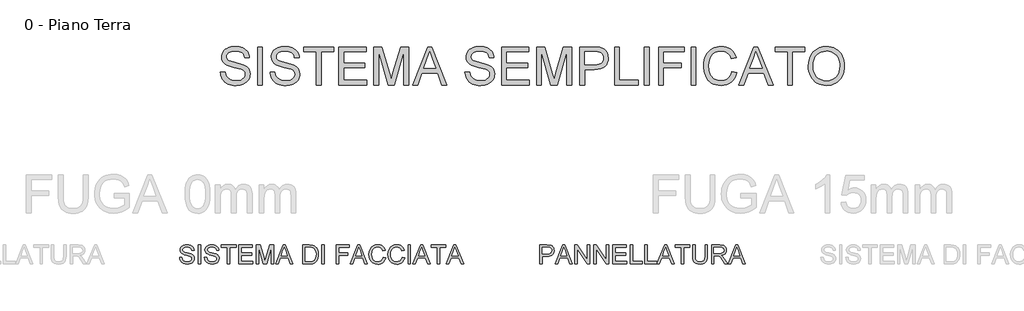
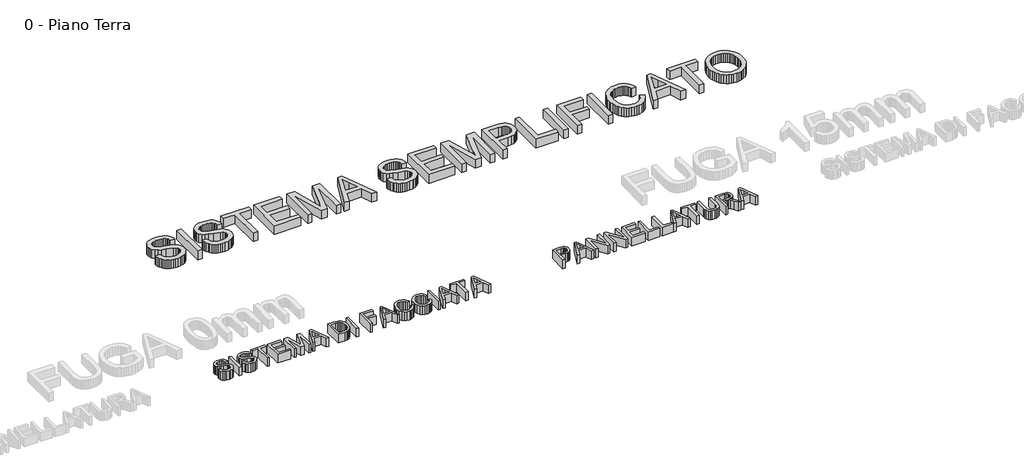
# One storey, part 11 of 17: 3 proxies.
"""IFC4 building model written with IfcOpenShell, lengths in millimetres."""

from ifc_helpers import new_model, si_unit, origin, origin_with_axes, place, context, project, spatial, polyline, outline, extrude, element, save

model = new_model("IFC4")

# Units and contexts
model_context = context("Model", 3, world=origin())
ifc_project = project(units=[si_unit("LENGTHUNIT", "METRE", prefix="MILLI")], contexts=[model_context])

# Site, building, storey
site = spatial("IfcSite", under=ifc_project)
building = spatial("IfcBuilding", under=site)
storey = spatial("IfcBuildingStorey", under=building, Name="0 - Piano Terra", Elevation=0.0)

# Proxies
placement = place(None, origin())
element("IfcBuildingElementProxy", 1, Name="Testo modello 1", ObjectType="Testo modello 1", at=placement, inside=storey, context=model_context, shape_type="SweptSolid", body=[
    extrude(outline(polyline([(-7566.3195296, -6332.1900507), (-7492.4733758, -6332.1900507), (-7483.9998181, -6373.169618), (-7468.6752988, -6406.1083199), (-7444.7690488, -6432.2501468), (-7410.5502988, -6452.8390891), (-7368.7233758, -6466.1984641), (-7321.9926065, -6470.6515891), (-7280.8507796, -6467.2801949), (-7244.829145, -6457.1660122), (-7215.6404431, -6441.1563968), (-7194.9974142, -6420.0987045), (-7182.71977, -6395.9220218), (-7178.6272219, -6370.5554353), (-7181.6921258, -6345.8378872), (-7190.8868373, -6324.4737045), (-7209.5647219, -6306.2465411), (-7241.079145, -6290.9400507), (-7348.6031835, -6262.7429353), (-7419.1861162, -6244.0830795), (-7464.3483758, -6226.3246661), (-7501.1091931, -6201.4809161), (-7527.1608758, -6171.372743), (-7542.6837123, -6136.6491853), (-7547.8579912, -6097.9592815), (-7546.2579311, -6075.9685964), (-7541.4577508, -6054.7080795), (-7533.4574503, -6034.177731), (-7522.2570296, -6014.3775507), (-7507.9826907, -5996.1143295), (-7490.7606354, -5980.1948584), (-7470.5908637, -5966.6191372), (-7447.4733758, -5955.3871661), (-7395.5142412, -5940.2970218), (-7338.0022219, -5935.2669738), (-7275.6945296, -5940.5313968), (-7221.1752988, -5956.3246661), (-7197.3231354, -5968.0884882), (-7176.391645, -5982.3222622), (-7158.3808277, -5999.0259882), (-7143.2906835, -6018.1996661), (-7131.2383998, -6039.2844016), (-7122.3411642, -6061.7213007), (-7116.5989767, -6085.5103632), (-7114.0118373, -6110.6515891), (-7187.8579912, -6110.6515891), (-7192.797895, -6087.0878872), (-7201.4156835, -6066.5890891), (-7213.7113565, -6049.1551949), (-7229.6849142, -6034.7862045), (-7249.6338325, -6023.5542334), (-7273.8555873, -6015.5313968), (-7302.3501787, -6010.7176949), (-7335.1176065, -6009.1131276), (-7368.9307075, -6010.6996661), (-7397.8219335, -6015.4592815), (-7421.7912844, -6023.3919738), (-7440.8387604, -6034.497743), (-7455.3519815, -6047.8481036), (-7465.7185681, -6062.5145699), (-7471.93852, -6078.497142), (-7474.0118373, -6095.7958199), (-7468.1344335, -6124.1732238), (-7450.5022219, -6146.997743), (-7434.3123181, -6157.1479834), (-7408.8195296, -6167.4063968), (-7329.9252988, -6188.247743), (-7248.5070296, -6208.0434161), (-7199.2522219, -6225.3150507), (-7157.1548662, -6252.1059161), (-7140.8793253, -6267.8541132), (-7127.7858758, -6285.1708199), (-7117.7212724, -6303.965892), (-7110.53227, -6324.1491853), (-7104.7810681, -6368.6804353), (-7106.4352147, -6391.7798944), (-7111.3976546, -6414.2032718), (-7119.6683878, -6435.9505675), (-7131.2474142, -6457.0217815), (-7145.9319094, -6476.6011084), (-7163.5190488, -6493.872743), (-7184.0088325, -6508.8366853), (-7207.4012604, -6521.4929353), (-7233.0157436, -6531.5575387), (-7260.1716931, -6538.7465411), (-7319.1079912, -6544.497743), (-7356.8829311, -6542.9472622), (-7391.4577508, -6538.2958199), (-7422.8324503, -6530.5434161), (-7451.0070296, -6519.6900507), (-7476.1527628, -6505.7176949), (-7498.4409238, -6488.6083199), (-7517.8715128, -6468.3619257), (-7534.4445296, -6444.9785122), (-7547.7948902, -6419.2152911), (-7557.5575104, -6391.8294738), (-7563.7323902, -6362.8210603), (-7566.3195296, -6332.1900507)])), origin_with_axes(), (0.0, 0.0, 1.0), 150.0),
    extrude(outline(polyline([(-6984.7810681, -6535.2669738), (-6984.7810681, -5944.497743), (-6910.9349142, -5944.497743), (-6910.9349142, -6535.2669738), (-6984.7810681, -6535.2669738)])), origin_with_axes(), (0.0, 0.0, 1.0), 150.0),
    extrude(outline(polyline([(-6790.9349142, -6332.1900507), (-6717.0887604, -6332.1900507), (-6708.6152027, -6373.169618), (-6693.2906835, -6406.1083199), (-6669.3844335, -6432.2501468), (-6635.1656835, -6452.8390891), (-6593.3387604, -6466.1984641), (-6546.6079912, -6470.6515891), (-6505.4661642, -6467.2801949), (-6469.4445296, -6457.1660122), (-6440.2558277, -6441.1563968), (-6419.6127988, -6420.0987045), (-6407.3351546, -6395.9220218), (-6403.2426065, -6370.5554353), (-6406.3075104, -6345.8378872), (-6415.5022219, -6324.4737045), (-6434.1801065, -6306.2465411), (-6465.6945296, -6290.9400507), (-6573.2185681, -6262.7429353), (-6643.8015008, -6244.0830795), (-6688.9637604, -6226.3246661), (-6725.7245777, -6201.4809161), (-6751.7762604, -6171.372743), (-6767.2990969, -6136.6491853), (-6772.4733758, -6097.9592815), (-6770.8733157, -6075.9685964), (-6766.0731354, -6054.7080795), (-6758.0728349, -6034.177731), (-6746.8724142, -6014.3775507), (-6732.5980753, -5996.1143295), (-6715.37602, -5980.1948584), (-6695.2062484, -5966.6191372), (-6672.0887604, -5955.3871661), (-6620.1296258, -5940.2970218), (-6562.6176065, -5935.2669738), (-6500.3099142, -5940.5313968), (-6445.7906835, -5956.3246661), (-6421.93852, -5968.0884882), (-6401.0070296, -5982.3222622), (-6382.9962123, -5999.0259882), (-6367.9060681, -6018.1996661), (-6355.8537844, -6039.2844016), (-6346.9565488, -6061.7213007), (-6341.2143613, -6085.5103632), (-6338.6272219, -6110.6515891), (-6412.4733758, -6110.6515891), (-6417.4132796, -6087.0878872), (-6426.0310681, -6066.5890891), (-6438.3267412, -6049.1551949), (-6454.3002988, -6034.7862045), (-6474.2492171, -6023.5542334), (-6498.4709719, -6015.5313968), (-6526.9655633, -6010.7176949), (-6559.7329912, -6009.1131276), (-6593.5460921, -6010.6996661), (-6622.4373181, -6015.4592815), (-6646.406669, -6023.3919738), (-6665.454145, -6034.497743), (-6679.9673662, -6047.8481036), (-6690.3339527, -6062.5145699), (-6696.5539046, -6078.497142), (-6698.6272219, -6095.7958199), (-6692.7498181, -6124.1732238), (-6675.1176065, -6146.997743), (-6658.9277027, -6157.1479834), (-6633.4349142, -6167.4063968), (-6554.5406835, -6188.247743), (-6473.1224142, -6208.0434161), (-6423.8676065, -6225.3150507), (-6381.7702508, -6252.1059161), (-6365.4947099, -6267.8541132), (-6352.4012604, -6285.1708199), (-6342.336657, -6303.965892), (-6335.1476546, -6324.1491853), (-6329.3964527, -6368.6804353), (-6331.0505993, -6391.7798944), (-6336.0130392, -6414.2032718), (-6344.2837724, -6435.9505675), (-6355.8627988, -6457.0217815), (-6370.547294, -6476.6011084), (-6388.1344335, -6493.872743), (-6408.6242171, -6508.8366853), (-6432.016645, -6521.4929353), (-6457.6311282, -6531.5575387), (-6484.7870777, -6538.7465411), (-6543.7233758, -6544.497743), (-6581.4983157, -6542.9472622), (-6616.0731354, -6538.2958199), (-6647.4478349, -6530.5434161), (-6675.6224142, -6519.6900507), (-6700.7681474, -6505.7176949), (-6723.0563085, -6488.6083199), (-6742.4868974, -6468.3619257), (-6759.0599142, -6444.9785122), (-6772.4102748, -6419.2152911), (-6782.172895, -6391.8294738), (-6788.3477748, -6362.8210603), (-6790.9349142, -6332.1900507)])), origin_with_axes(), (0.0, 0.0, 1.0), 150.0),
    extrude(outline(polyline([(-6070.9349142, -6535.2669738), (-6070.9349142, -6018.3438968), (-6264.7810681, -6018.3438968), (-6264.7810681, -5944.497743), (-5803.2426065, -5944.497743), (-5803.2426065, -6018.3438968), (-5997.0887604, -6018.3438968), (-5997.0887604, -6535.2669738), (-6070.9349142, -6535.2669738)])), origin_with_axes(), (0.0, 0.0, 1.0), 150.0),
    extrude(outline(polyline([(-5720.1656835, -6535.2669738), (-5720.1656835, -5944.497743), (-5295.5502988, -5944.497743), (-5295.5502988, -6018.3438968), (-5646.3195296, -6018.3438968), (-5646.3195296, -6193.7285122), (-5314.0118373, -6193.7285122), (-5314.0118373, -6267.5746661), (-5646.3195296, -6267.5746661), (-5646.3195296, -6461.4208199), (-5286.3195296, -6461.4208199), (-5286.3195296, -6535.2669738), (-5720.1656835, -6535.2669738)])), origin_with_axes(), (0.0, 0.0, 1.0), 150.0),
    extrude(outline(polyline([(-5175.5502988, -6535.2669738), (-5175.5502988, -5944.497743), (-5048.4829912, -5944.497743), (-4927.6176065, -6360.8919738), (-4903.2426065, -6447.8631276), (-4876.8483758, -6353.6804353), (-4758.0022219, -5944.497743), (-4630.9349142, -5944.497743), (-4630.9349142, -6535.2669738), (-4704.7810681, -6535.2669738), (-4704.7810681, -6018.3438968), (-4853.1945296, -6535.2669738), (-4953.2906835, -6535.2669738), (-5101.704145, -6018.3438968), (-5101.704145, -6535.2669738), (-5175.5502988, -6535.2669738)])), origin_with_axes(), (0.0, 0.0, 1.0), 150.0),
    extrude(outline(polyline([(-4570.5022219, -6535.2669738), (-4334.6849142, -5944.497743), (-4271.8002988, -5944.497743), (-4035.9829912, -6535.2669738), (-4114.0118373, -6535.2669738), (-4181.6560681, -6350.6515891), (-4424.9733758, -6350.6515891), (-4492.4733758, -6535.2669738), (-4570.5022219, -6535.2669738)]), holes=[polyline([(-4397.8579912, -6276.8054353), (-4208.6272219, -6276.8054353), (-4261.8483758, -6131.5650507), (-4303.2426065, -6018.3438968), (-4340.0214527, -6118.872743), (-4397.8579912, -6276.8054353)])]), origin_with_axes(), (0.0, 0.0, 1.0), 150.0),
    extrude(outline(polyline([(-3754.0118373, -6332.1900507), (-3680.1656835, -6332.1900507), (-3671.6921258, -6373.169618), (-3656.3676065, -6406.1083199), (-3632.4613565, -6432.2501468), (-3598.2426065, -6452.8390891), (-3556.4156835, -6466.1984641), (-3509.6849142, -6470.6515891), (-3468.5430873, -6467.2801949), (-3432.5214527, -6457.1660122), (-3403.3327508, -6441.1563968), (-3382.6897219, -6420.0987045), (-3370.4120777, -6395.9220218), (-3366.3195296, -6370.5554353), (-3369.3844335, -6345.8378872), (-3378.579145, -6324.4737045), (-3397.2570296, -6306.2465411), (-3428.7714527, -6290.9400507), (-3536.2954912, -6262.7429353), (-3606.8784238, -6244.0830795), (-3652.0406835, -6226.3246661), (-3688.8015008, -6201.4809161), (-3714.8531835, -6171.372743), (-3730.37602, -6136.6491853), (-3735.5502988, -6097.9592815), (-3733.9502387, -6075.9685964), (-3729.1500585, -6054.7080795), (-3721.149758, -6034.177731), (-3709.9493373, -6014.3775507), (-3695.6749984, -5996.1143295), (-3678.4529431, -5980.1948584), (-3658.2831714, -5966.6191372), (-3635.1656835, -5955.3871661), (-3583.2065488, -5940.2970218), (-3525.6945296, -5935.2669738), (-3463.3868373, -5940.5313968), (-3408.8676065, -5956.3246661), (-3385.0154431, -5968.0884882), (-3364.0839527, -5982.3222622), (-3346.0731354, -5999.0259882), (-3330.9829912, -6018.1996661), (-3318.9307075, -6039.2844016), (-3310.0334719, -6061.7213007), (-3304.2912844, -6085.5103632), (-3301.704145, -6110.6515891), (-3375.5502988, -6110.6515891), (-3380.4902027, -6087.0878872), (-3389.1079912, -6066.5890891), (-3401.4036642, -6049.1551949), (-3417.3772219, -6034.7862045), (-3437.3261402, -6023.5542334), (-3461.547895, -6015.5313968), (-3490.0424863, -6010.7176949), (-3522.8099142, -6009.1131276), (-3556.6230152, -6010.6996661), (-3585.5142412, -6015.4592815), (-3609.4835921, -6023.3919738), (-3628.5310681, -6034.497743), (-3643.0442892, -6047.8481036), (-3653.4108758, -6062.5145699), (-3659.6308277, -6078.497142), (-3661.704145, -6095.7958199), (-3655.8267412, -6124.1732238), (-3638.1945296, -6146.997743), (-3622.0046258, -6157.1479834), (-3596.5118373, -6167.4063968), (-3517.6176065, -6188.247743), (-3436.1993373, -6208.0434161), (-3386.9445296, -6225.3150507), (-3344.8471738, -6252.1059161), (-3328.571633, -6267.8541132), (-3315.4781835, -6285.1708199), (-3305.4135801, -6303.965892), (-3298.2245777, -6324.1491853), (-3292.4733758, -6368.6804353), (-3294.1275224, -6391.7798944), (-3299.0899623, -6414.2032718), (-3307.3606955, -6435.9505675), (-3318.9397219, -6457.0217815), (-3333.6242171, -6476.6011084), (-3351.2113565, -6493.872743), (-3371.7011402, -6508.8366853), (-3395.0935681, -6521.4929353), (-3420.7080512, -6531.5575387), (-3447.8640008, -6538.7465411), (-3506.8002988, -6544.497743), (-3544.5752387, -6542.9472622), (-3579.1500585, -6538.2958199), (-3610.524758, -6530.5434161), (-3638.6993373, -6519.6900507), (-3663.8450705, -6505.7176949), (-3686.1332315, -6488.6083199), (-3705.5638205, -6468.3619257), (-3722.1368373, -6444.9785122), (-3735.4871979, -6419.2152911), (-3745.2498181, -6391.8294738), (-3751.4246979, -6362.8210603), (-3754.0118373, -6332.1900507)])), origin_with_axes(), (0.0, 0.0, 1.0), 150.0),
    extrude(outline(polyline([(-3181.704145, -6535.2669738), (-3181.704145, -5944.497743), (-2757.0887604, -5944.497743), (-2757.0887604, -6018.3438968), (-3107.8579912, -6018.3438968), (-3107.8579912, -6193.7285122), (-2775.5502988, -6193.7285122), (-2775.5502988, -6267.5746661), (-3107.8579912, -6267.5746661), (-3107.8579912, -6461.4208199), (-2747.8579912, -6461.4208199), (-2747.8579912, -6535.2669738), (-3181.704145, -6535.2669738)])), origin_with_axes(), (0.0, 0.0, 1.0), 150.0),
    extrude(outline(polyline([(-2637.0887604, -6535.2669738), (-2637.0887604, -5944.497743), (-2510.0214527, -5944.497743), (-2389.1560681, -6360.8919738), (-2364.7810681, -6447.8631276), (-2338.3868373, -6353.6804353), (-2219.5406835, -5944.497743), (-2092.4733758, -5944.497743), (-2092.4733758, -6535.2669738), (-2166.3195296, -6535.2669738), (-2166.3195296, -6018.3438968), (-2314.7329912, -6535.2669738), (-2414.829145, -6535.2669738), (-2563.2426065, -6018.3438968), (-2563.2426065, -6535.2669738), (-2637.0887604, -6535.2669738)])), origin_with_axes(), (0.0, 0.0, 1.0), 150.0),
    extrude(outline(polyline([(-1963.2426065, -6535.2669738), (-1963.2426065, -5944.497743), (-1744.3002988, -5944.497743), (-1693.3147219, -5945.903993), (-1656.0310681, -5950.122743), (-1616.6740969, -5960.6335603), (-1584.2762604, -5977.7429353), (-1558.18852, -6002.2261084), (-1537.7618373, -6034.8583199), (-1524.5647219, -6073.3499065), (-1520.1656835, -6115.4112045), (-1523.1359359, -6151.6762286), (-1532.0466931, -6185.0386084), (-1546.8979551, -6215.498344), (-1567.6897219, -6243.0554353), (-1596.2338926, -6265.8979834), (-1634.3423662, -6282.2140891), (-1682.0151426, -6292.0037526), (-1739.2522219, -6295.2669738), (-1889.3964527, -6295.2669738), (-1889.3964527, -6535.2669738), (-1963.2426065, -6535.2669738)]), holes=[polyline([(-1889.3964527, -6221.4208199), (-1734.9252988, -6221.4208199), (-1699.4084719, -6219.7261084), (-1669.4445296, -6214.6419738), (-1645.0334719, -6206.1684161), (-1626.1752988, -6194.3054353), (-1612.1037844, -6179.3685363), (-1602.0527027, -6161.6732238), (-1596.0220537, -6141.2194978), (-1594.0118373, -6118.0073584), (-1598.7534238, -6084.8342815), (-1612.9781835, -6056.8535122), (-1634.9192892, -6035.7958199), (-1662.8099142, -6023.3919738), (-1691.2954912, -6019.6059161), (-1736.6560681, -6018.3438968), (-1889.3964527, -6018.3438968), (-1889.3964527, -6221.4208199)])]), origin_with_axes(), (0.0, 0.0, 1.0), 150.0),
    extrude(outline(polyline([(-1418.6272219, -6535.2669738), (-1418.6272219, -5944.497743), (-1344.7810681, -5944.497743), (-1344.7810681, -6461.4208199), (-1049.3964527, -6461.4208199), (-1049.3964527, -6535.2669738), (-1418.6272219, -6535.2669738)])), origin_with_axes(), (0.0, 0.0, 1.0), 150.0),
    extrude(outline(polyline([(-957.0887604, -6535.2669738), (-957.0887604, -5944.497743), (-883.2426065, -5944.497743), (-883.2426065, -6535.2669738), (-957.0887604, -6535.2669738)])), origin_with_axes(), (0.0, 0.0, 1.0), 150.0),
    extrude(outline(polyline([(-735.5502988, -6535.2669738), (-735.5502988, -5944.497743), (-338.6272219, -5944.497743), (-338.6272219, -6018.3438968), (-661.704145, -6018.3438968), (-661.704145, -6193.7285122), (-384.7810681, -6193.7285122), (-384.7810681, -6267.5746661), (-661.704145, -6267.5746661), (-661.704145, -6535.2669738), (-735.5502988, -6535.2669738)])), origin_with_axes(), (0.0, 0.0, 1.0), 150.0),
    extrude(outline(polyline([(-227.8579912, -6535.2669738), (-227.8579912, -5944.497743), (-154.0118373, -5944.497743), (-154.0118373, -6535.2669738), (-227.8579912, -6535.2669738)])), origin_with_axes(), (0.0, 0.0, 1.0), 150.0),
    extrude(outline(polyline([(409.0650858, -6325.2669738), (482.9112396, -6344.3054353), (468.2988598, -6390.2294137), (448.8367204, -6430.357118), (424.5248213, -6464.6885483), (395.3631627, -6493.2237045), (362.0097973, -6515.6560964), (325.1227781, -6531.6792334), (284.702105, -6541.2931156), (240.7477781, -6544.497743), (195.7162276, -6542.0728632), (155.09273, -6534.7982238), (118.8772853, -6522.6738247), (87.0698935, -6505.6996661), (59.233355, -6484.1281516), (34.9304704, -6458.2116853), (14.1612396, -6427.950267), (-3.0743373, -6393.3438968), (-16.6094936, -6355.888969), (-26.2774623, -6317.0818776), (-32.0782436, -6276.9226228), (-34.0118373, -6235.4112045), (-31.8258397, -6190.8709401), (-25.2678469, -6149.2693776), (-14.3378589, -6110.606517), (0.9641242, -6074.8823584), (20.2955545, -6042.6873464), (43.3138838, -6014.6119257), (70.0191122, -5990.6560964), (100.4112396, -5970.8198584), (133.4581146, -5955.2654714), (168.1275858, -5944.1551949), (204.4196531, -5937.4890291), (242.3343165, -5935.2669738), (284.5713959, -5938.1425747), (323.3018646, -5946.7693776), (358.5257228, -5961.1473824), (390.2429704, -5981.2765891), (417.9307709, -6006.6251468), (441.0662877, -6036.6612045), (459.6495209, -6071.3847622), (473.6804704, -6110.7958199), (399.8343165, -6128.3919738), (388.2057108, -6099.3520098), (374.233355, -6074.5398103), (357.9172492, -6053.9553752), (339.2573935, -6037.5987045), (318.1456146, -6025.1362646), (294.4737396, -6016.2345218), (268.2417685, -6010.8934762), (239.4497012, -6009.1131276), (206.3216963, -6011.0872863), (176.0242204, -6017.0097622), (148.5572733, -6026.8805555), (123.920855, -6040.6996661), (102.4259632, -6057.8450988), (84.3835954, -6077.6948584), (69.7937516, -6100.2489449), (58.6564319, -6125.5073584), (44.5398454, -6179.5578391), (39.8343165, -6235.2669738), (45.40523, -6303.4881276), (52.3688718, -6334.1371661), (62.1179704, -6362.4785122), (74.8102781, -6387.9487646), (90.6035473, -6409.9845218), (109.4977781, -6428.5857839), (131.4929704, -6443.7525507), (155.5209151, -6455.52088), (180.5134031, -6463.9268295), (206.4704343, -6468.9703992), (233.3920088, -6470.6515891), (265.4968766, -6468.3619257), (295.0326338, -6461.4929353), (321.9992805, -6450.044618), (346.3968165, -6434.0169738), (367.6483189, -6413.482118), (385.1768646, -6388.5121661), (398.9824536, -6359.107118), (409.0650858, -6325.2669738)])), origin_with_axes(), (0.0, 0.0, 1.0), 150.0),
    extrude(outline(polyline([(515.6516242, -6535.2669738), (751.4689319, -5944.497743), (814.3535473, -5944.497743), (1050.170855, -6535.2669738), (972.1420088, -6535.2669738), (904.4977781, -6350.6515891), (661.1804704, -6350.6515891), (593.6804704, -6535.2669738), (515.6516242, -6535.2669738)]), holes=[polyline([(688.295855, -6276.8054353), (877.5266242, -6276.8054353), (824.3054704, -6131.5650507), (782.9112396, -6018.3438968), (746.1323935, -6118.872743), (688.295855, -6276.8054353)])]), origin_with_axes(), (0.0, 0.0, 1.0), 150.0),
    extrude(outline(polyline([(1276.7573935, -6535.2669738), (1276.7573935, -6018.3438968), (1082.9112396, -6018.3438968), (1082.9112396, -5944.497743), (1544.4497012, -5944.497743), (1544.4497012, -6018.3438968), (1350.6035473, -6018.3438968), (1350.6035473, -6535.2669738), (1276.7573935, -6535.2669738)])), origin_with_axes(), (0.0, 0.0, 1.0), 150.0),
    extrude(outline(polyline([(1599.8343165, -6247.6708199), (1604.7561915, -6178.3769497), (1619.5218165, -6117.0338007), (1644.1311915, -6063.6413728), (1678.5843165, -6018.1996661), (1720.8168887, -5981.9166132), (1768.764605, -5956.0001468), (1822.4274656, -5940.450267), (1881.8054704, -5935.2669738), (1921.5500617, -5937.700868), (1959.2934512, -5945.0025507), (1995.0356387, -5957.1720218), (2028.7766242, -5974.2092815), (2059.5698935, -5995.6005074), (2086.4689319, -6020.8318776), (2109.4737396, -6049.903392), (2128.5843165, -6082.8150507), (2143.6023454, -6118.8186565), (2154.3295088, -6157.1660122), (2160.7658069, -6197.857118), (2162.9112396, -6240.8919738), (2160.6531266, -6284.4947382), (2153.8787877, -6325.7357238), (2142.5882228, -6364.6149305), (2126.7814319, -6401.1323584), (2106.8325137, -6434.3234641), (2083.1155665, -6463.2237045), (2055.6305906, -6487.8330795), (2024.3775858, -6508.1515891), (1990.5870209, -6524.0530315), (1955.4893646, -6535.4112045), (1919.084617, -6542.2261084), (1881.3727781, -6544.497743), (1840.9340762, -6541.9872262), (1802.6948935, -6534.4556757), (1766.65523, -6521.9030916), (1732.8150858, -6504.3294738), (1702.0578742, -6482.4154113), (1675.2670088, -6456.841493), (1652.4424896, -6427.607719), (1633.5843165, -6394.7140891), (1618.8186915, -6359.4812166), (1608.2718165, -6323.2297141), (1601.9436915, -6285.9595819), (1599.8343165, -6247.6708199)]), holes=[polyline([(1673.6804704, -6248.3919738), (1677.3718766, -6297.3493055), (1688.4460954, -6340.8078391), (1706.9031266, -6378.7675747), (1732.7429704, -6411.2285122), (1764.1537276, -6437.2261084), (1799.3234992, -6455.7958199), (1838.2522853, -6466.9376468), (1880.9400858, -6470.6515891), (1924.3580545, -6466.9015891), (1963.7465762, -6455.6515891), (1999.1056507, -6436.9015891), (2030.4352781, -6410.6515891), (2056.0858189, -6377.5055555), (2074.4076338, -6338.0674545), (2085.4007228, -6292.3372863), (2089.0650858, -6240.3150507), (2087.4965762, -6206.5199786), (2082.7910473, -6174.9424545), (2074.9484992, -6145.5824786), (2063.9689319, -6118.4400507), (2049.9740401, -6093.8712406), (2033.0855185, -6072.232118), (2013.303367, -6053.5226829), (1990.6275858, -6037.7429353), (1965.7612997, -6025.2173944), (1939.4076338, -6016.2705795), (1911.5665882, -6010.9024906), (1882.2381627, -6009.1131276), (1841.0332348, -6012.5611444), (1802.8030665, -6022.9051949), (1767.5476579, -6040.1452791), (1735.2670088, -6064.2813968), (1708.3228983, -6096.4764089), (1689.077105, -6137.8931757), (1677.529629, -6188.5316973), (1673.6804704, -6248.3919738)])]), origin_with_axes(), (0.0, 0.0, 1.0), 150.0),
])
element("IfcBuildingElementProxy", 2, Name="Testo modello 2", ObjectType="Testo modello 2", at=placement, inside=storey, context=model_context, shape_type="SweptSolid", body=[
    extrude(outline(polyline([(-8204.0118373, -9229.5440815), (-8167.0887604, -9229.5440815), (-8162.8519815, -9250.0338651), (-8155.1897219, -9266.5032161), (-8143.2365969, -9279.5741295), (-8126.1272219, -9289.8686007), (-8105.2137604, -9296.5482882), (-8081.8483758, -9298.7748507), (-8061.2774623, -9297.0891536), (-8043.266645, -9292.0320622), (-8028.672294, -9284.0272545), (-8018.3507796, -9273.4984084), (-8012.2119575, -9261.410067), (-8010.1656835, -9248.7267738), (-8011.6981354, -9236.3679997), (-8016.2954912, -9225.6859084), (-8025.6344335, -9216.5723266), (-8041.391645, -9208.9190815), (-8095.1536642, -9194.8205238), (-8130.4451306, -9185.4905959), (-8153.0262604, -9176.6113891), (-8171.406669, -9164.1895141), (-8184.4325104, -9149.1354276), (-8192.1939287, -9131.7736488), (-8194.7810681, -9112.4286968), (-8191.5809479, -9090.8030959), (-8181.9805873, -9070.6378315), (-8166.2323902, -9053.5464853), (-8144.5887604, -9041.1426391), (-8118.6091931, -9033.597567), (-8089.8531835, -9031.082543), (-8058.6993373, -9033.7147545), (-8031.4397219, -9041.6113891), (-8009.047895, -9054.6101872), (-7992.4974142, -9072.5488891), (-7982.0226546, -9094.3097065), (-7977.8579912, -9118.7748507), (-8014.7810681, -9118.7748507), (-8021.5599142, -9096.7436007), (-8035.6945296, -9080.8421584), (-8057.7798662, -9071.2147545), (-8088.4108758, -9068.0056199), (-8119.7630392, -9071.1786968), (-8141.2714527, -9080.6979276), (-8153.7113565, -9094.7063411), (-8157.8579912, -9111.3469661), (-8154.9192892, -9125.535668), (-8146.1031835, -9136.9479276), (-8125.2618373, -9147.1522545), (-8085.8147219, -9157.5729276), (-8020.4781835, -9176.1065815), (-7999.4295056, -9189.5020141), (-7984.7450104, -9206.0344661), (-7976.1182075, -9225.5236488), (-7973.2426065, -9247.7892738), (-7976.5508998, -9270.550692), (-7986.4757796, -9291.9599468), (-8002.6115969, -9310.3854276), (-8024.5527027, -9324.1955238), (-8050.937919, -9332.8223266), (-8080.4060681, -9335.6979276), (-8116.5809479, -9332.5969661), (-8146.3555873, -9323.2940815), (-8170.0725344, -9307.7532161), (-8188.0743373, -9285.9383122), (-8199.6308277, -9259.363793), (-8204.0118373, -9229.5440815)])), origin_with_axes(), (0.0, 0.0, 1.0), 150.0),
    extrude(outline(polyline([(-7913.2426065, -9331.082543), (-7913.2426065, -9035.6979276), (-7876.3195296, -9035.6979276), (-7876.3195296, -9331.082543), (-7913.2426065, -9331.082543)])), origin_with_axes(), (0.0, 0.0, 1.0), 150.0),
    extrude(outline(polyline([(-7816.3195296, -9229.5440815), (-7779.3964527, -9229.5440815), (-7775.1596738, -9250.0338651), (-7767.4974142, -9266.5032161), (-7755.5442892, -9279.5741295), (-7738.4349142, -9289.8686007), (-7717.5214527, -9296.5482882), (-7694.1560681, -9298.7748507), (-7673.5851546, -9297.0891536), (-7655.5743373, -9292.0320622), (-7640.9799863, -9284.0272545), (-7630.6584719, -9273.4984084), (-7624.5196498, -9261.410067), (-7622.4733758, -9248.7267738), (-7624.0058277, -9236.3679997), (-7628.6031835, -9225.6859084), (-7637.9421258, -9216.5723266), (-7653.6993373, -9208.9190815), (-7707.4613565, -9194.8205238), (-7742.7528229, -9185.4905959), (-7765.3339527, -9176.6113891), (-7783.7143613, -9164.1895141), (-7796.7402027, -9149.1354276), (-7804.501621, -9131.7736488), (-7807.0887604, -9112.4286968), (-7803.8886402, -9090.8030959), (-7794.2882796, -9070.6378315), (-7778.5400825, -9053.5464853), (-7756.8964527, -9041.1426391), (-7730.9168854, -9033.597567), (-7702.1608758, -9031.082543), (-7671.0070296, -9033.7147545), (-7643.7474142, -9041.6113891), (-7621.3555873, -9054.6101872), (-7604.8051065, -9072.5488891), (-7594.3303469, -9094.3097065), (-7590.1656835, -9118.7748507), (-7627.0887604, -9118.7748507), (-7633.8676065, -9096.7436007), (-7648.0022219, -9080.8421584), (-7670.0875585, -9071.2147545), (-7700.7185681, -9068.0056199), (-7732.0707315, -9071.1786968), (-7753.579145, -9080.6979276), (-7766.0190488, -9094.7063411), (-7770.1656835, -9111.3469661), (-7767.2269815, -9125.535668), (-7758.4108758, -9136.9479276), (-7737.5695296, -9147.1522545), (-7698.1224142, -9157.5729276), (-7632.7858758, -9176.1065815), (-7611.7371979, -9189.5020141), (-7597.0527027, -9206.0344661), (-7588.4258998, -9225.5236488), (-7585.5502988, -9247.7892738), (-7588.8585921, -9270.550692), (-7598.7834719, -9291.9599468), (-7614.9192892, -9310.3854276), (-7636.860395, -9324.1955238), (-7663.2456113, -9332.8223266), (-7692.7137604, -9335.6979276), (-7728.8886402, -9332.5969661), (-7758.6632796, -9323.2940815), (-7782.3802267, -9307.7532161), (-7800.3820296, -9285.9383122), (-7811.93852, -9259.363793), (-7816.3195296, -9229.5440815)])), origin_with_axes(), (0.0, 0.0, 1.0), 150.0),
    extrude(outline(polyline([(-7456.3195296, -9331.082543), (-7456.3195296, -9072.6210045), (-7553.2426065, -9072.6210045), (-7553.2426065, -9035.6979276), (-7322.4733758, -9035.6979276), (-7322.4733758, -9072.6210045), (-7419.3964527, -9072.6210045), (-7419.3964527, -9331.082543), (-7456.3195296, -9331.082543)])), origin_with_axes(), (0.0, 0.0, 1.0), 150.0),
    extrude(outline(polyline([(-7280.9349142, -9331.082543), (-7280.9349142, -9035.6979276), (-7068.6272219, -9035.6979276), (-7068.6272219, -9072.6210045), (-7244.0118373, -9072.6210045), (-7244.0118373, -9160.3133122), (-7077.8579912, -9160.3133122), (-7077.8579912, -9197.2363891), (-7244.0118373, -9197.2363891), (-7244.0118373, -9294.1594661), (-7064.0118373, -9294.1594661), (-7064.0118373, -9331.082543), (-7280.9349142, -9331.082543)])), origin_with_axes(), (0.0, 0.0, 1.0), 150.0),
    extrude(outline(polyline([(-7008.6272219, -9331.082543), (-7008.6272219, -9035.6979276), (-6945.0935681, -9035.6979276), (-6884.6608758, -9243.895043), (-6872.4733758, -9287.3806199), (-6859.2762604, -9240.2892738), (-6799.8531835, -9035.6979276), (-6736.3195296, -9035.6979276), (-6736.3195296, -9331.082543), (-6773.2426065, -9331.082543), (-6773.2426065, -9072.6210045), (-6847.4493373, -9331.082543), (-6897.4974142, -9331.082543), (-6971.704145, -9072.6210045), (-6971.704145, -9331.082543), (-7008.6272219, -9331.082543)])), origin_with_axes(), (0.0, 0.0, 1.0), 150.0),
    extrude(outline(polyline([(-6706.1031835, -9331.082543), (-6588.1945296, -9035.6979276), (-6556.7522219, -9035.6979276), (-6438.8435681, -9331.082543), (-6477.8579912, -9331.082543), (-6511.6801065, -9238.7748507), (-6633.3387604, -9238.7748507), (-6667.0887604, -9331.082543), (-6706.1031835, -9331.082543)]), holes=[polyline([(-6619.7810681, -9201.8517738), (-6525.1656835, -9201.8517738), (-6551.7762604, -9129.2315815), (-6572.4733758, -9072.6210045), (-6590.8627988, -9122.8854276), (-6619.7810681, -9201.8517738)])]), origin_with_axes(), (0.0, 0.0, 1.0), 150.0),
    extrude(outline(polyline([(-6284.0118373, -9331.082543), (-6284.0118373, -9035.6979276), (-6182.1127988, -9035.6979276), (-6129.3964527, -9039.9527353), (-6105.8507796, -9048.1558603), (-6085.9829912, -9061.082543), (-6065.5563085, -9083.582543), (-6051.0070296, -9111.5633122), (-6042.2990969, -9144.4839853), (-6039.3964527, -9181.8036968), (-6041.3615969, -9213.5074228), (-6047.2570296, -9241.4070622), (-6056.235395, -9265.160067), (-6067.4493373, -9284.4238891), (-6080.3579912, -9299.6312209), (-6094.4204912, -9311.2147545), (-6110.5653229, -9319.8054997), (-6129.7209719, -9326.0344661), (-6177.2089527, -9331.082543), (-6284.0118373, -9331.082543)]), holes=[polyline([(-6247.0887604, -9294.1594661), (-6181.7522219, -9294.1594661), (-6154.7269815, -9292.8253315), (-6134.2281835, -9288.8229276), (-6118.7594335, -9282.3866295), (-6106.8243373, -9273.7508122), (-6093.9968133, -9257.7682401), (-6084.360395, -9237.0801391), (-6078.329746, -9211.5963651), (-6076.3195296, -9181.2267738), (-6080.2588325, -9140.9863891), (-6092.0767412, -9111.2748507), (-6109.5376787, -9090.8661968), (-6130.4060681, -9078.5344661), (-6151.6440488, -9074.0993699), (-6182.7618373, -9072.6210045), (-6247.0887604, -9072.6210045), (-6247.0887604, -9294.1594661)])]), origin_with_axes(), (0.0, 0.0, 1.0), 150.0),
    extrude(outline(polyline([(-5984.0118373, -9331.082543), (-5984.0118373, -9035.6979276), (-5947.0887604, -9035.6979276), (-5947.0887604, -9331.082543), (-5984.0118373, -9331.082543)])), origin_with_axes(), (0.0, 0.0, 1.0), 150.0),
    extrude(outline(polyline([(-5757.8579912, -9331.082543), (-5757.8579912, -9035.6979276), (-5559.3964527, -9035.6979276), (-5559.3964527, -9072.6210045), (-5720.9349142, -9072.6210045), (-5720.9349142, -9160.3133122), (-5582.4733758, -9160.3133122), (-5582.4733758, -9197.2363891), (-5720.9349142, -9197.2363891), (-5720.9349142, -9331.082543), (-5757.8579912, -9331.082543)])), origin_with_axes(), (0.0, 0.0, 1.0), 150.0),
    extrude(outline(polyline([(-5543.0262604, -9331.082543), (-5425.1176065, -9035.6979276), (-5393.6752988, -9035.6979276), (-5275.766645, -9331.082543), (-5314.7810681, -9331.082543), (-5348.6031835, -9238.7748507), (-5470.2618373, -9238.7748507), (-5504.0118373, -9331.082543), (-5543.0262604, -9331.082543)]), holes=[polyline([(-5456.704145, -9201.8517738), (-5362.0887604, -9201.8517738), (-5388.6993373, -9129.2315815), (-5409.3964527, -9072.6210045), (-5427.7858758, -9122.8854276), (-5456.704145, -9201.8517738)])]), origin_with_axes(), (0.0, 0.0, 1.0), 150.0),
    extrude(outline(polyline([(-5028.6272219, -9226.082543), (-4991.704145, -9235.6017738), (-4999.0103349, -9258.5637629), (-5008.7414046, -9278.6276151), (-5020.8973541, -9295.7933303), (-5035.4781835, -9310.0609084), (-5052.1548662, -9321.2771043), (-5070.5983758, -9329.2886728), (-5090.8087123, -9334.0956139), (-5112.7858758, -9335.6979276), (-5155.6133998, -9330.848168), (-5189.6248181, -9316.2988891), (-5215.6945296, -9292.5548988), (-5234.6969335, -9260.1210045), (-5246.298496, -9221.9899949), (-5250.1656835, -9181.1546584), (-5245.7936883, -9138.0837449), (-5232.6777027, -9100.8902353), (-5211.5028229, -9070.755019), (-5182.954145, -9048.8589853), (-5149.0959719, -9035.5266536), (-5111.9926065, -9031.082543), (-5071.5088325, -9036.8337449), (-5053.8969034, -9044.0227473), (-5038.0382796, -9054.0873507), (-5024.1943794, -9066.7616295), (-5012.626621, -9081.7796584), (-4996.3195296, -9118.8469661), (-5033.2426065, -9127.645043), (-5046.0430873, -9100.7189613), (-5063.5310681, -9082.2484084), (-5085.922895, -9071.566317), (-5113.4349142, -9068.0056199), (-5145.1476546, -9071.9539372), (-5171.1993373, -9083.7988891), (-5190.9679671, -9102.2964853), (-5203.8315488, -9126.2027353), (-5210.8898421, -9153.2279757), (-5213.2426065, -9181.082543), (-5210.4571498, -9215.1931199), (-5202.1007796, -9244.6883122), (-5187.8579912, -9268.441317), (-5167.4132796, -9285.3253315), (-5142.9030633, -9295.4124709), (-5116.4637604, -9298.7748507), (-5085.6434479, -9294.1955238), (-5059.9613565, -9280.457543), (-5040.5713325, -9257.7051391), (-5028.6272219, -9226.082543)])), origin_with_axes(), (0.0, 0.0, 1.0), 150.0),
    extrude(outline(polyline([(-4733.2426065, -9226.082543), (-4696.3195296, -9235.6017738), (-4703.6257195, -9258.5637629), (-4713.3567892, -9278.6276151), (-4725.5127387, -9295.7933303), (-4740.0935681, -9310.0609084), (-4756.7702508, -9321.2771043), (-4775.2137604, -9329.2886728), (-4795.4240969, -9334.0956139), (-4817.4012604, -9335.6979276), (-4860.2287844, -9330.848168), (-4894.2402027, -9316.2988891), (-4920.3099142, -9292.5548988), (-4939.3123181, -9260.1210045), (-4950.9138806, -9221.9899949), (-4954.7810681, -9181.1546584), (-4950.4090729, -9138.0837449), (-4937.2930873, -9100.8902353), (-4916.1182075, -9070.755019), (-4887.5695296, -9048.8589853), (-4853.7113565, -9035.5266536), (-4816.6079912, -9031.082543), (-4776.1242171, -9036.8337449), (-4758.512288, -9044.0227473), (-4742.6536642, -9054.0873507), (-4728.809764, -9066.7616295), (-4717.2420056, -9081.7796584), (-4700.9349142, -9118.8469661), (-4737.8579912, -9127.645043), (-4750.6584719, -9100.7189613), (-4768.1464527, -9082.2484084), (-4790.5382796, -9071.566317), (-4818.0502988, -9068.0056199), (-4849.7630392, -9071.9539372), (-4875.8147219, -9083.7988891), (-4895.5833517, -9102.2964853), (-4908.4469335, -9126.2027353), (-4915.5052267, -9153.2279757), (-4917.8579912, -9181.082543), (-4915.0725344, -9215.1931199), (-4906.7161642, -9244.6883122), (-4892.4733758, -9268.441317), (-4872.0286642, -9285.3253315), (-4847.5184479, -9295.4124709), (-4821.079145, -9298.7748507), (-4790.2588325, -9294.1955238), (-4764.5767412, -9280.457543), (-4745.1867171, -9257.7051391), (-4733.2426065, -9226.082543)])), origin_with_axes(), (0.0, 0.0, 1.0), 150.0),
    extrude(outline(polyline([(-4640.9349142, -9331.082543), (-4640.9349142, -9035.6979276), (-4604.0118373, -9035.6979276), (-4604.0118373, -9331.082543), (-4640.9349142, -9331.082543)])), origin_with_axes(), (0.0, 0.0, 1.0), 150.0),
    extrude(outline(polyline([(-4564.5647219, -9331.082543), (-4446.6560681, -9035.6979276), (-4415.2137604, -9035.6979276), (-4297.3051065, -9331.082543), (-4336.3195296, -9331.082543), (-4370.141645, -9238.7748507), (-4491.8002988, -9238.7748507), (-4525.5502988, -9331.082543), (-4564.5647219, -9331.082543)]), holes=[polyline([(-4478.2426065, -9201.8517738), (-4383.6272219, -9201.8517738), (-4410.2377988, -9129.2315815), (-4430.9349142, -9072.6210045), (-4449.3243373, -9122.8854276), (-4478.2426065, -9201.8517738)])]), origin_with_axes(), (0.0, 0.0, 1.0), 150.0),
    extrude(outline(polyline([(-4184.0118373, -9331.082543), (-4184.0118373, -9072.6210045), (-4280.9349142, -9072.6210045), (-4280.9349142, -9035.6979276), (-4050.1656835, -9035.6979276), (-4050.1656835, -9072.6210045), (-4147.0887604, -9072.6210045), (-4147.0887604, -9331.082543), (-4184.0118373, -9331.082543)])), origin_with_axes(), (0.0, 0.0, 1.0), 150.0),
    extrude(outline(polyline([(-4043.0262604, -9331.082543), (-3925.1176065, -9035.6979276), (-3893.6752988, -9035.6979276), (-3775.766645, -9331.082543), (-3814.7810681, -9331.082543), (-3848.6031835, -9238.7748507), (-3970.2618373, -9238.7748507), (-4004.0118373, -9331.082543), (-4043.0262604, -9331.082543)]), holes=[polyline([(-3956.704145, -9201.8517738), (-3862.0887604, -9201.8517738), (-3888.6993373, -9129.2315815), (-3909.3964527, -9072.6210045), (-3927.7858758, -9122.8854276), (-3956.704145, -9201.8517738)])]), origin_with_axes(), (0.0, 0.0, 1.0), 150.0),
])
element("IfcBuildingElementProxy", 3, Name="Testo modello 2", ObjectType="Testo modello 2", at=placement, inside=storey, context=model_context, shape_type="SweptSolid", body=[
    extrude(outline(polyline([(-2585.5502988, -9331.082543), (-2585.5502988, -9035.6979276), (-2476.079145, -9035.6979276), (-2431.9445296, -9038.5104276), (-2412.266044, -9043.7658363), (-2396.0671258, -9052.3205238), (-2383.0232556, -9064.5621103), (-2372.8099142, -9080.8782161), (-2366.2113565, -9100.1240093), (-2364.0118373, -9121.1546584), (-2369.9523421, -9155.9683603), (-2377.3779731, -9171.1982281), (-2387.7738565, -9184.9767738), (-2402.0459419, -9196.3980478), (-2421.1001787, -9204.5561007), (-2444.9365669, -9209.4509324), (-2473.5551065, -9211.082543), (-2548.6272219, -9211.082543), (-2548.6272219, -9331.082543), (-2585.5502988, -9331.082543)]), holes=[polyline([(-2548.6272219, -9174.1594661), (-2471.391645, -9174.1594661), (-2438.6512604, -9170.770043), (-2417.016645, -9160.6017738), (-2404.9553469, -9144.285668), (-2400.9349142, -9122.4527353), (-2403.3057075, -9105.8661968), (-2410.4180873, -9091.8758122), (-2421.3886402, -9081.3469661), (-2435.3339527, -9075.145043), (-2472.2570296, -9072.6210045), (-2548.6272219, -9072.6210045), (-2548.6272219, -9174.1594661)])]), origin_with_axes(), (0.0, 0.0, 1.0), 150.0),
    extrude(outline(polyline([(-2347.641645, -9331.082543), (-2229.7329912, -9035.6979276), (-2198.2906835, -9035.6979276), (-2080.3820296, -9331.082543), (-2119.3964527, -9331.082543), (-2153.2185681, -9238.7748507), (-2274.8772219, -9238.7748507), (-2308.6272219, -9331.082543), (-2347.641645, -9331.082543)]), holes=[polyline([(-2261.3195296, -9201.8517738), (-2166.704145, -9201.8517738), (-2193.3147219, -9129.2315815), (-2214.0118373, -9072.6210045), (-2232.4012604, -9122.8854276), (-2261.3195296, -9201.8517738)])]), origin_with_axes(), (0.0, 0.0, 1.0), 150.0),
    extrude(outline(polyline([(-2040.9349142, -9331.082543), (-2040.9349142, -9035.6979276), (-2001.4156835, -9035.6979276), (-1847.0887604, -9269.7123507), (-1847.0887604, -9035.6979276), (-1810.1656835, -9035.6979276), (-1810.1656835, -9331.082543), (-1849.6849142, -9331.082543), (-2004.0118373, -9096.9960045), (-2004.0118373, -9331.082543), (-2040.9349142, -9331.082543)])), origin_with_axes(), (0.0, 0.0, 1.0), 150.0),
    extrude(outline(polyline([(-1745.5502988, -9331.082543), (-1745.5502988, -9035.6979276), (-1706.0310681, -9035.6979276), (-1551.704145, -9269.7123507), (-1551.704145, -9035.6979276), (-1514.7810681, -9035.6979276), (-1514.7810681, -9331.082543), (-1554.3002988, -9331.082543), (-1708.6272219, -9096.9960045), (-1708.6272219, -9331.082543), (-1745.5502988, -9331.082543)])), origin_with_axes(), (0.0, 0.0, 1.0), 150.0),
    extrude(outline(polyline([(-1450.1656835, -9331.082543), (-1450.1656835, -9035.6979276), (-1237.8579912, -9035.6979276), (-1237.8579912, -9072.6210045), (-1413.2426065, -9072.6210045), (-1413.2426065, -9160.3133122), (-1247.0887604, -9160.3133122), (-1247.0887604, -9197.2363891), (-1413.2426065, -9197.2363891), (-1413.2426065, -9294.1594661), (-1233.2426065, -9294.1594661), (-1233.2426065, -9331.082543), (-1450.1656835, -9331.082543)])), origin_with_axes(), (0.0, 0.0, 1.0), 150.0),
    extrude(outline(polyline([(-1177.8579912, -9331.082543), (-1177.8579912, -9035.6979276), (-1140.9349142, -9035.6979276), (-1140.9349142, -9294.1594661), (-993.2426065, -9294.1594661), (-993.2426065, -9331.082543), (-1177.8579912, -9331.082543)])), origin_with_axes(), (0.0, 0.0, 1.0), 150.0),
    extrude(outline(polyline([(-951.704145, -9331.082543), (-951.704145, -9035.6979276), (-914.7810681, -9035.6979276), (-914.7810681, -9294.1594661), (-767.0887604, -9294.1594661), (-767.0887604, -9331.082543), (-951.704145, -9331.082543)])), origin_with_axes(), (0.0, 0.0, 1.0), 150.0),
    extrude(outline(polyline([(-759.9493373, -9331.082543), (-642.0406835, -9035.6979276), (-610.5983758, -9035.6979276), (-492.6897219, -9331.082543), (-531.704145, -9331.082543), (-565.5262604, -9238.7748507), (-687.1849142, -9238.7748507), (-720.9349142, -9331.082543), (-759.9493373, -9331.082543)]), holes=[polyline([(-673.6272219, -9201.8517738), (-579.0118373, -9201.8517738), (-605.6224142, -9129.2315815), (-626.3195296, -9072.6210045), (-644.7089527, -9122.8854276), (-673.6272219, -9201.8517738)])]), origin_with_axes(), (0.0, 0.0, 1.0), 150.0),
    extrude(outline(polyline([(-379.3964527, -9331.082543), (-379.3964527, -9072.6210045), (-476.3195296, -9072.6210045), (-476.3195296, -9035.6979276), (-245.5502988, -9035.6979276), (-245.5502988, -9072.6210045), (-342.4733758, -9072.6210045), (-342.4733758, -9331.082543), (-379.3964527, -9331.082543)])), origin_with_axes(), (0.0, 0.0, 1.0), 150.0),
    extrude(outline(polyline([(-10.1656835, -9035.6979276), (26.7573935, -9035.6979276), (26.7573935, -9206.1065815), (24.2513838, -9246.0134324), (16.733355, -9276.7436007), (2.6888838, -9300.4515334), (-19.3964527, -9319.2916776), (-49.5767412, -9331.5963651), (-87.9060681, -9335.6979276), (-125.3970537, -9332.1282161), (-155.3700104, -9321.4190815), (-177.8339527, -9303.9401151), (-192.797895, -9280.0609084), (-201.2083517, -9248.0326632), (-204.0118373, -9206.1065815), (-204.0118373, -9035.6979276), (-167.0887604, -9035.6979276), (-167.0887604, -9204.8085045), (-165.2678469, -9237.9905959), (-159.8051065, -9261.0945622), (-149.90727, -9277.0951632), (-134.7810681, -9288.9671584), (-115.0575104, -9296.3229276), (-91.3676065, -9298.7748507), (-53.81352, -9293.9250911), (-39.7555272, -9287.8628916), (-28.8435681, -9279.3758122), (-20.6719936, -9267.4407161), (-14.8351546, -9251.0344661), (-10.1656835, -9204.8085045), (-10.1656835, -9035.6979276)])), origin_with_axes(), (0.0, 0.0, 1.0), 150.0),
    extrude(outline(polyline([(91.3727781, -9331.082543), (91.3727781, -9035.6979276), (218.6564319, -9035.6979276), (252.8661675, -9037.6901151), (277.7549896, -9043.6666776), (295.9460954, -9054.7003315), (310.0626819, -9071.863793), (319.1221771, -9093.1468459), (322.1420088, -9116.5392738), (317.139004, -9145.6378315), (302.1299896, -9169.7604276), (290.7605485, -9179.590656), (276.6642444, -9187.4467257), (240.2910473, -9197.2363891), (261.2766242, -9213.0296584), (291.2045088, -9251.0344661), (340.4593165, -9331.082543), (297.5506627, -9331.082543), (259.1131627, -9269.8565815), (231.3487396, -9229.3277353), (211.8415281, -9210.1811007), (194.2814319, -9203.1498507), (172.8631627, -9201.8517738), (128.295855, -9201.8517738), (128.295855, -9331.082543), (91.3727781, -9331.082543)]), holes=[polyline([(128.295855, -9164.9286968), (210.9400858, -9164.9286968), (234.6750617, -9163.6216055), (253.0915281, -9159.7003315), (266.9557108, -9152.9034565), (277.0338358, -9142.9695622), (283.1726579, -9130.9533363), (285.2189319, -9117.9094661), (281.3156867, -9099.8986488), (269.6059512, -9085.3854276), (249.4587156, -9075.8121103), (220.2429704, -9072.6210045), (128.295855, -9072.6210045), (128.295855, -9164.9286968)])]), origin_with_axes(), (0.0, 0.0, 1.0), 150.0),
    extrude(outline(polyline([(352.358355, -9331.082543), (470.2670088, -9035.6979276), (501.7093165, -9035.6979276), (619.6179704, -9331.082543), (580.6035473, -9331.082543), (546.7814319, -9238.7748507), (425.1227781, -9238.7748507), (391.3727781, -9331.082543), (352.358355, -9331.082543)]), holes=[polyline([(438.6804704, -9201.8517738), (533.295855, -9201.8517738), (506.6852781, -9129.2315815), (485.9881627, -9072.6210045), (467.5987396, -9122.8854276), (438.6804704, -9201.8517738)])]), origin_with_axes(), (0.0, 0.0, 1.0), 150.0),
])

save(model, "model.ifc")
